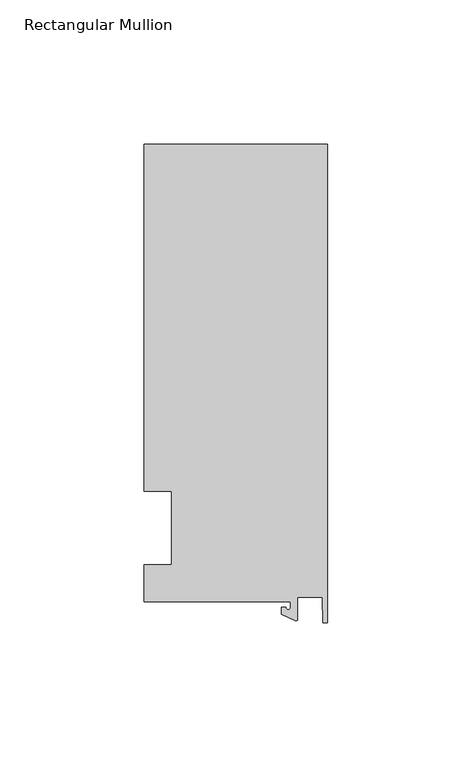
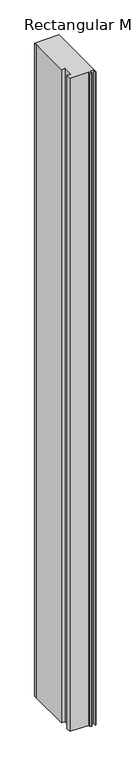
"""IFC4 building model written with IfcOpenShell, lengths in millimetres: member geometry, Rectangular Mullion."""

from ifc_helpers import new_model, si_unit, point, frame, frame_2d, origin, place, context, project, spatial, polyline, circle_curve, trimmed, segment, composite_curve, outline, extrude, source, transform, mapped, element, save


def rectangular_mullion_01afd05d(model_context):
    return source(origin(), model_context, "Body", "SweptSolid", [
        extrude(outline(composite_curve([segment(polyline([(-12.8216721, -25.5984375), (-63.5, -25.5984375), (-63.5, -12.7), (-53.975, -12.7), (-53.975, 12.7), (-63.5, 12.7), (-63.5, 125.075512), (-63.5, 132.822512), (0.0, 132.822512), (0.0, -32.810012), (-1.5566453, -32.810012), (-1.7144124, -23.9227662), (-10.4340721, -23.9227662), (-10.4340721, -31.6795354)]), True, "CONTINUOUS"), segment(trimmed(circle_curve(frame_2d((-10.9420721, -31.6795354)), 0.508), [point((-10.4340721, -31.6795354))], [point((-11.1567622, -32.1399398))], False, "CARTESIAN"), True, "CONTINUOUS"), segment(polyline([(-11.1567622, -32.1399398), (-15.9966721, -29.8830527), (-15.9966721, -27.5208534), (-14.4091721, -27.5208534)]), True, "CONTINUOUS"), segment(trimmed(circle_curve(frame_2d((-13.6154221, -27.5208534)), 0.79375), [point((-14.4091721, -27.5208534))], [point((-12.8216721, -27.5208534))], True, "CARTESIAN"), True, "CONTINUOUS"), segment(polyline([(-12.8216721, -27.5208534), (-12.8216721, -25.5984375)]), True, "CONTINUOUS")], self_intersect=False)), frame((0.0, 0.0, -1786.4666667), z_axis=(0.0, 0.0, 1.0), x_axis=(1.0, 0.0, 0.0)), (0.0, 0.0, 1.0), 1786.4666667),
    ])


if __name__ == "__main__":
    model = new_model("IFC4")
    model_context = context("Model", 3, world=origin())
    ifc_project = project(units=[si_unit("LENGTHUNIT", "METRE", prefix="MILLI")], contexts=[model_context])
    site = spatial("IfcSite", under=ifc_project)
    building = spatial("IfcBuilding", under=site)
    placement = place(None, origin())
    rectangular_mullion_shape = rectangular_mullion_01afd05d(model_context)
    element("IfcMember", 1, ObjectType="Rectangular Mullion", at=placement, inside=building, context=model_context, shape_type="MappedRepresentation", body=[
        mapped(rectangular_mullion_shape, transform((0.0, 0.0, 0.0), x_axis=(1.0, 0.0, 0.0), y_axis=(0.0, 1.0, 0.0), z_axis=(0.0, 0.0, 1.0))),
    ])
    save(model, "model.ifc")
